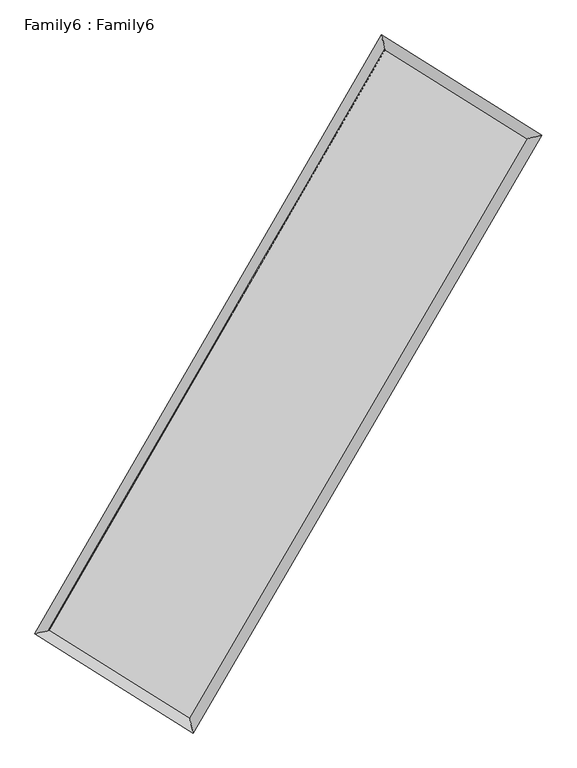
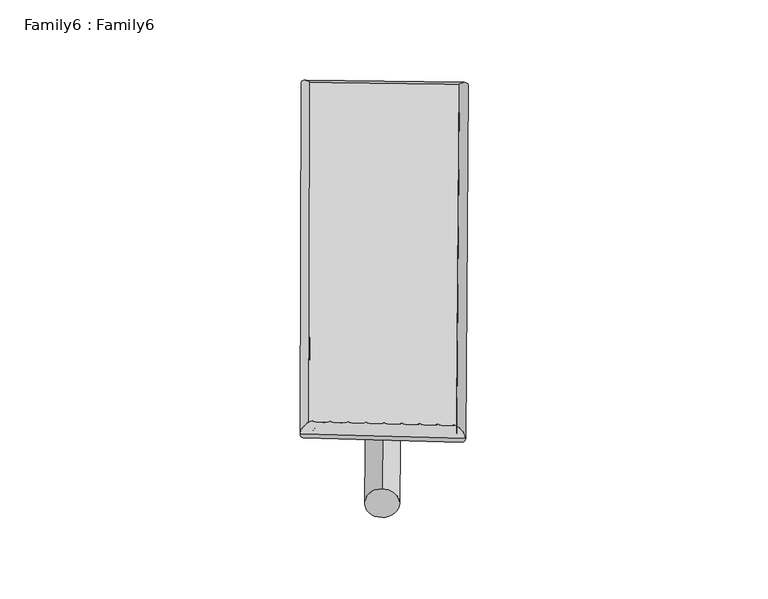
"""IFC4 building model written with IfcOpenShell, lengths in millimetres: plate geometry, Family6 : Family6."""

from ifc_helpers import new_model, si_unit, point, frame, origin, origin_2d, place, context, project, spatial, circle_curve, ellipse_curve, trimmed, segment, composite_curve, outline, extrude, source, transform, mapped, element, save
from ifc_brep_helpers import plane_surface, cylinder_surface, spline_surface, advanced_brep


def family6_family6_f5f71c1d(model_context):
    return source(origin(), model_context, "Body", "SolidModel", [
        extrude(outline(composite_curve([segment(trimmed(circle_curve(origin_2d(), 76.2), [point((-75.4341514, -10.7763073))], [point((75.4341514, 10.7763073))], False, "CARTESIAN"), True, "CONTINUOUS"), segment(trimmed(circle_curve(origin_2d(), 76.2), [point((75.4341514, 10.7763073))], [point((-75.4341514, -10.7763073))], False, "CARTESIAN"), True, "CONTINUOUS")], self_intersect=False)), frame((9144.0, 9144.0, 0.0), z_axis=(0.6724765716723525, 0.6863972629145716, 0.27682857152971785), x_axis=(-0.6788168509278248, 0.7210568452095314, -0.13886939501887843)), (0.0, 0.0, 1.0), 5542.1012549),
        extrude(outline(composite_curve([segment(trimmed(circle_curve(origin_2d(), 76.2), [point((-53.8815367, 53.8815367))], [point((53.8815367, -53.8815367))], False, "CARTESIAN"), True, "CONTINUOUS"), segment(trimmed(circle_curve(origin_2d(), 76.2), [point((53.8815367, -53.8815367))], [point((-53.8815367, 53.8815367))], False, "CARTESIAN"), True, "CONTINUOUS")], self_intersect=False)), frame((9144.0, 9144.0, 0.0), z_axis=(-0.6703962803229843, -0.6883633970340057, 0.2769921676743059), x_axis=(0.6447087587200248, -0.3555863061426246, 0.6766897334181512)), (0.0, 0.0, 1.0), 5538.845445),
        extrude(outline(composite_curve([segment(trimmed(circle_curve(origin_2d(), 76.2), [point((-53.8815367, -53.8815367))], [point((53.8815367, 53.8815367))], False, "CARTESIAN"), True, "CONTINUOUS"), segment(trimmed(circle_curve(origin_2d(), 76.2), [point((53.8815367, 53.8815367))], [point((-53.8815367, -53.8815367))], False, "CARTESIAN"), True, "CONTINUOUS")], self_intersect=False)), frame((9144.0, 9144.0, 0.0), z_axis=(0.26800936182974916, 0.9250828692156415, 0.2690588542593738), x_axis=(-0.8405631490082095, 0.36099646245944617, -0.4038999215414239)), (0.0, 0.0, 1.0), 5616.0787862),
        extrude(outline(composite_curve([segment(trimmed(circle_curve(origin_2d(), 76.2), [point((-75.4341514, 10.7763073))], [point((75.4341514, -10.7763073))], False, "CARTESIAN"), True, "CONTINUOUS"), segment(trimmed(circle_curve(origin_2d(), 76.2), [point((75.4341514, -10.7763073))], [point((-75.4341514, 10.7763073))], False, "CARTESIAN"), True, "CONTINUOUS")], self_intersect=False)), frame((9144.0, 9144.0, 0.0), z_axis=(-0.2705171627379279, -0.9242928441961117, 0.26926418780091005), x_axis=(0.880179938682243, -0.12414841898439234, 0.458116192253667)), (0.0, 0.0, 1.0), 5610.9950556),
        advanced_brep(
        [(5225.0965959, 5280.2108035, 1532.4366171), (5225.080736, 5280.1869652, 1536.5199486), (5636.4606368, 5382.3122642, 1535.9969953), (10701.9553377, 14126.4700526, 1513.514487), (10596.3680452, 14552.2065019, 1508.5969603), (5636.4764968, 5382.3361025, 1531.9136639), (12664.8731592, 12897.3069976, 1533.972853), (13076.9933443, 12998.8592667, 1534.4510943), (7573.6992956, 4170.3631251, 1511.2855126), (7678.5597792, 3745.2317175, 1510.3945402)],
        [
            (0, 1, ellipse_curve(frame((5430.7786164, 5331.2615338, 1534.2168062), z_axis=(-0.24092892884975053, 0.9705312344599375, 0.004730135408390225), x_axis=(-0.9705010682951606, -0.24096089211009217, 0.008094745916978672)), 211.9572043, 152.4)),
            (1, 2, ellipse_curve(frame((5430.7786164, 5331.2615338, 1534.2168062), z_axis=(-0.24092892884975053, 0.9705312344599375, 0.004730135408390225), x_axis=(-0.9705010682951606, -0.24096089211009217, 0.008094745916978672)), 211.9572043, 152.4)),
            (2, 3),
            (3, 4, ellipse_curve(frame((10649.1616915, 14339.3382772, 1511.0557236), z_axis=(-0.9705712445320442, -0.2407672033962233, -0.004755318735962745), x_axis=(0.24072732632876534, -0.9705623366330753, 0.007687982046633261)), 219.3324762, 152.4)),
            (4, 0),
            (2, 5, ellipse_curve(frame((5430.7786164, 5331.2615338, 1534.2168062), z_axis=(-0.24092892884975053, 0.9705312344599375, 0.004730135408390225), x_axis=(-0.9705010682951606, -0.24096089211009217, 0.008094745916978672)), 211.9572043, 152.4)),
            (5, 0, ellipse_curve(frame((5430.7786164, 5331.2615338, 1534.2168062), z_axis=(-0.24092892884975053, 0.9705312344599375, 0.004730135408390225), x_axis=(-0.9705010682951606, -0.24096089211009217, 0.008094745916978672)), 211.9572043, 152.4)),
            (4, 3, ellipse_curve(frame((10649.1616915, 14339.3382772, 1511.0557236), z_axis=(-0.9705712445320442, -0.2407672033962233, -0.004755318735962745), x_axis=(0.24072732632876534, -0.9705623366330753, 0.007687982046633261)), 219.3324762, 152.4)),
            (3, 6),
            (6, 7, ellipse_curve(frame((12870.9332517, 12948.0831321, 1534.2119737), z_axis=(-0.2392498626693343, 0.9709471992422358, -0.004586883077082438), x_axis=(-0.9709179215131483, -0.2392802495802248, -0.007959387251131725)), 212.2286733, 152.4)),
            (7, 4),
            (7, 6, ellipse_curve(frame((12870.9332517, 12948.0831321, 1534.2119737), z_axis=(-0.2392498626693343, 0.9709471992422358, -0.004586883077082438), x_axis=(-0.9709179215131483, -0.2392802495802248, -0.007959387251131725)), 212.2286733, 152.4)),
            (6, 8),
            (8, 9, ellipse_curve(frame((7626.1295374, 3957.7974213, 1510.8400264), z_axis=(0.9708881106831757, 0.23948392189675294, -0.004871107369326735), x_axis=(-0.23944225673085476, 0.9708788698788537, 0.007850204735888917)), 218.9407039, 152.4)),
            (9, 7),
            (9, 8, ellipse_curve(frame((7626.1295374, 3957.7974213, 1510.8400264), z_axis=(0.9708881106831757, 0.23948392189675294, -0.004871107369326735), x_axis=(-0.23944225673085476, 0.9708788698788537, 0.007850204735888917)), 218.9407039, 152.4)),
            (8, 5),
            (1, 9),
        ],
        [
            cylinder_surface(frame((5430.7786164, 5331.2615338, 1534.2168062), z_axis=(-0.5012638468072212, -0.8652916307162702, 0.0022247913171827014), x_axis=(-0.8652264290806733, 0.5011905140901378, -0.013830943798973757)), 152.4),
            cylinder_surface(frame((10649.1616915, 14339.3382772, 1511.0557236), z_axis=(-0.847510946860379, 0.5307044101364575, -0.008833120260633143), x_axis=(0.5307644855959541, 0.8474905207993625, -0.006991279231128243)), 152.4),
            cylinder_surface(frame((12870.9332517, 12948.0831321, 1534.2119737), z_axis=(0.5039034738285012, 0.8637570531083701, 0.0022454997469809335), x_axis=(0.8637597585409827, -0.5039034738285011, -0.0006071151393351203)), 152.4),
            cylinder_surface(frame((7626.1295374, 3957.7974213, 1510.8400264), z_axis=(0.847725944028598, -0.5303576527267208, -0.009026849673379422), x_axis=(-0.5303195612655864, -0.8477737707955852, 0.006387213015901485)), 152.4),
        ],
        [
            (0, [[1, 2, 3, 4, 5]]),
            (0, [[6, 7, -5, 8, -3]]),
            (1, [[-4, 9, 10, 11]]),
            (1, [[-8, -11, 12, -9]]),
            (2, [[-10, 13, 14, 15]]),
            (2, [[-12, -15, 16, -13]]),
            (3, [[-14, 17, -6, -2, 18]]),
            (3, [[-16, -18, -1, -7, -17]]),
        ],
    ),
        extrude(outline(composite_curve([segment(trimmed(circle_curve(origin_2d(), 304.8), [point((0.0, 304.8))], [point((0.0, -304.8))], False, "CARTESIAN"), True, "CONTINUOUS"), segment(trimmed(circle_curve(origin_2d(), 304.8), [point((0.0, -304.8))], [point((0.0, 304.8))], False, "CARTESIAN"), True, "CONTINUOUS")], self_intersect=False)), frame((11780.0954525, 13650.4190721, -0.0025902), z_axis=(-0.5049211955633119, -0.86316544547999, 4.9612661034263e-07), x_axis=(-0.8631654454801221, 0.5049211955633119, -1.344512060658354e-07)), (0.0, 0.0, 1.0), 10441.6113868),
        advanced_brep(
        [(5430.7786164, 5331.2615338, 1534.2168062), (7626.1295374, 3957.7974213, 1510.8400264), (7626.1271225, 3957.7970598, 1663.2400264), (5430.7762014, 5331.2611724, 1686.6168062), (12870.9332517, 12948.0831321, 1534.2119737), (12870.9308368, 12948.0827707, 1686.6119736), (10649.1616915, 14339.3382772, 1511.0557236), (10649.1592765, 14339.3379158, 1663.4557236)],
        [
            (0, 1),
            (1, 2),
            (2, 3),
            (3, 0),
            (1, 4),
            (4, 5),
            (5, 2),
            (4, 6),
            (6, 7),
            (7, 5),
            (6, 0),
            (3, 7),
        ],
        [
            plane_surface(frame((6528.4540769, 4644.5294776, 1522.5284163), z_axis=(-0.5303793415601801, -0.8477604342841881, -1.0415131145132678e-05), x_axis=(0.8477259440285984, -0.5303576527267201, -0.009026849673379436))),
            plane_surface(frame((10248.5313946, 8452.9402767, 1522.526), z_axis=(0.8637592165617306, -0.5039047684321007, 1.2492242395867065e-05), x_axis=(0.5039034738285003, 0.8637570531083703, 0.002245499746980923))),
            plane_surface(frame((11760.0474716, 13643.7107047, 1522.6338486), z_axis=(0.5307250371506537, 0.847544060702958, 1.0420095954599869e-05), x_axis=(-0.8475109468603791, 0.5307044101364573, -0.008833120260633149))),
            plane_surface(frame((8039.9701539, 9835.2999055, 1522.6362649), z_axis=(-0.8652937860874196, 0.5012650632167358, -1.2522820077020777e-05), x_axis=(-0.5012638468072212, -0.8652916307162699, 0.0022247913171826966))),
            spline_surface(1, 1, [[(7626.1271225, 3957.7970598, 1663.2400264), (5430.7762014, 5331.2611724, 1686.6168062)], [(12870.9308368, 12948.0827707, 1686.6119736), (10649.1592765, 14339.3379158, 1663.4557236)]], [2, 2], [2, 2], [0.0, 1.0], [0.0, 1.0]),
            spline_surface(1, 1, [[(10649.1616915, 14339.3382772, 1511.0557236), (5430.7786164, 5331.2615338, 1534.2168062)], [(12870.9332517, 12948.0831321, 1534.2119737), (7626.1295374, 3957.7974213, 1510.8400264)]], [2, 2], [2, 2], [0.0, 1.0], [0.0, 1.0]),
        ],
        [
            (0, [[1, 2, 3, 4]]),
            (1, [[5, 6, 7, -2]]),
            (2, [[8, 9, 10, -6]]),
            (3, [[11, -4, 12, -9]]),
            (4, [[-3, -7, -10, -12]]),
            (5, [[-11, -8, -5, -1]]),
        ],
    ),
    ])


if __name__ == "__main__":
    model = new_model("IFC4")
    model_context = context("Model", 3, world=origin())
    ifc_project = project(units=[si_unit("LENGTHUNIT", "METRE", prefix="MILLI")], contexts=[model_context])
    site = spatial("IfcSite", under=ifc_project)
    building = spatial("IfcBuilding", under=site)
    placement = place(None, origin())
    family6_family6_shape = family6_family6_f5f71c1d(model_context)
    element("IfcPlate", 1, ObjectType="Family6 : Family6", at=placement, inside=building, context=model_context, shape_type="MappedRepresentation", body=[
        mapped(family6_family6_shape, transform((0.0, 0.0, 0.0), x_axis=(1.0, 0.0, 0.0), y_axis=(0.0, 1.0, 0.0), z_axis=(0.0, 0.0, 1.0))),
    ])
    save(model, "model.ifc")
